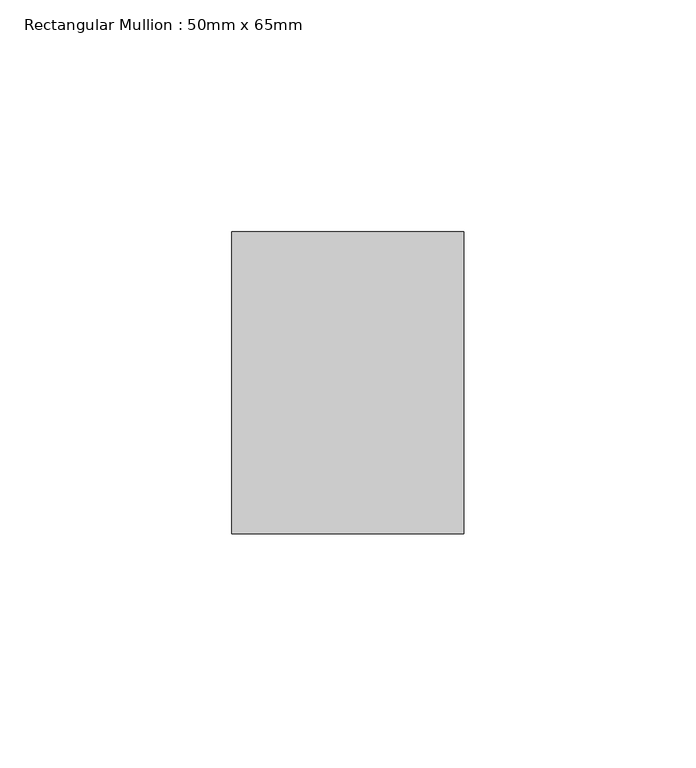
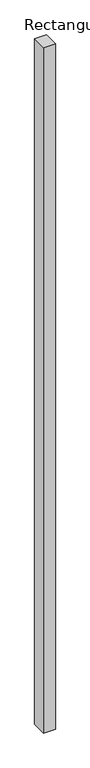
"""IFC4 building model written with IfcOpenShell, lengths in millimetres: member geometry, Rectangular Mullion : 50mm x 65mm."""

from ifc_helpers import new_model, si_unit, frame, origin, place, context, project, spatial, polyline, outline, extrude, source, transform, mapped, element, save


def rectangular_mullion_50mm_x_65mm_a845f0ac(model_context):
    return source(origin(), model_context, "Body", "SweptSolid", [
        extrude(outline(polyline([(25.0, 32.5), (25.0, -32.5), (-25.0, -32.5), (-25.0, 32.5), (25.0, 32.5)])), frame((0.0, 0.0, -3078.7113275), z_axis=(0.0, 0.0, 1.0), x_axis=(1.0, 0.0, 0.0)), (0.0, 0.0, 1.0), 3078.7113275),
    ])


if __name__ == "__main__":
    model = new_model("IFC4")
    model_context = context("Model", 3, world=origin())
    ifc_project = project(units=[si_unit("LENGTHUNIT", "METRE", prefix="MILLI")], contexts=[model_context])
    site = spatial("IfcSite", under=ifc_project)
    building = spatial("IfcBuilding", under=site)
    placement = place(None, origin())
    rectangular_mullion_50mm_x_65mm_shape = rectangular_mullion_50mm_x_65mm_a845f0ac(model_context)
    element("IfcMember", 1, ObjectType="Rectangular Mullion : 50mm x 65mm", at=placement, inside=building, context=model_context, shape_type="MappedRepresentation", body=[
        mapped(rectangular_mullion_50mm_x_65mm_shape, transform((0.0, 0.0, 0.0), x_axis=(1.0, 0.0, 0.0), y_axis=(0.0, 1.0, 0.0), z_axis=(0.0, 0.0, 1.0))),
    ])
    save(model, "model.ifc")
